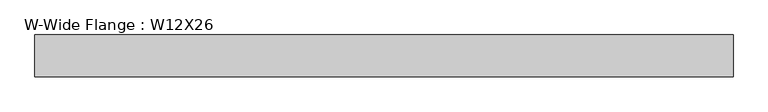
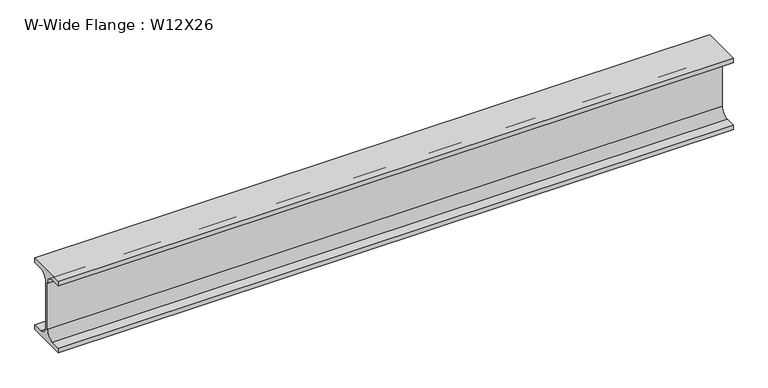
"""IFC4 building model written with IfcOpenShell, lengths in millimetres: beam geometry, W-Wide Flange : W12X26."""

from ifc_helpers import new_model, si_unit, point, frame, frame_2d, origin, place, context, project, spatial, polyline, circle_curve, trimmed, segment, composite_curve, outline, extrude, source, transform, mapped, element, save


def w_wide_flange_w12x26_d82b2282(model_context):
    return source(origin(), model_context, "Body", "SweptSolid", [
        extrude(outline(composite_curve([segment(polyline([(40.0, -65.3757813), (40.0, -75.0), (-40.0, -75.0), (-40.0, -65.3757813), (-20.2902344, -65.3757813)]), True, "CONTINUOUS"), segment(trimmed(circle_curve(frame_2d((-20.2902344, -48.0125)), 17.3632812), [point((-20.2902344, -65.3757813))], [point((-2.9269531, -48.0125))], True, "CARTESIAN"), True, "CONTINUOUS"), segment(polyline([(-2.9269531, -48.0125), (-2.9269531, 48.0125)]), True, "CONTINUOUS"), segment(trimmed(circle_curve(frame_2d((-20.2902344, 48.0125)), 17.3632812), [point((-2.9269531, 48.0125))], [point((-20.2902344, 65.3757812))], True, "CARTESIAN"), True, "CONTINUOUS"), segment(polyline([(-20.2902344, 65.3757812), (-40.0, 65.3757812), (-40.0, 75.0), (40.0, 75.0), (40.0, 65.3757812), (20.2902344, 65.3757812)]), True, "CONTINUOUS"), segment(trimmed(circle_curve(frame_2d((20.2902344, 48.0125)), 17.3632812), [point((20.2902344, 65.3757812))], [point((2.9269531, 48.0125))], True, "CARTESIAN"), True, "CONTINUOUS"), segment(polyline([(2.9269531, 48.0125), (2.9269531, -48.0125)]), True, "CONTINUOUS"), segment(trimmed(circle_curve(frame_2d((20.2902344, -48.0125)), 17.3632812), [point((2.9269531, -48.0125))], [point((20.2902344, -65.3757813))], True, "CARTESIAN"), True, "CONTINUOUS"), segment(polyline([(20.2902344, -65.3757813), (40.0, -65.3757813)]), True, "CONTINUOUS")], self_intersect=False)), frame((-664.3609865, 0.0, 0.0), z_axis=(1.0, 0.0, 0.0), x_axis=(0.0, 1.0, 0.0)), (0.0, 0.0, 1.0), 1337.5876523),
    ])


if __name__ == "__main__":
    model = new_model("IFC4")
    model_context = context("Model", 3, world=origin())
    ifc_project = project(units=[si_unit("LENGTHUNIT", "METRE", prefix="MILLI")], contexts=[model_context])
    site = spatial("IfcSite", under=ifc_project)
    building = spatial("IfcBuilding", under=site)
    placement = place(None, origin())
    w_wide_flange_w12x26_shape = w_wide_flange_w12x26_d82b2282(model_context)
    element("IfcBeam", 1, ObjectType="W-Wide Flange : W12X26", at=placement, inside=building, context=model_context, shape_type="MappedRepresentation", body=[
        mapped(w_wide_flange_w12x26_shape, transform((0.0, 0.0, 0.0), x_axis=(1.0, 0.0, 0.0), y_axis=(0.0, 1.0, 0.0), z_axis=(0.0, 0.0, 1.0))),
    ])
    save(model, "model.ifc")
